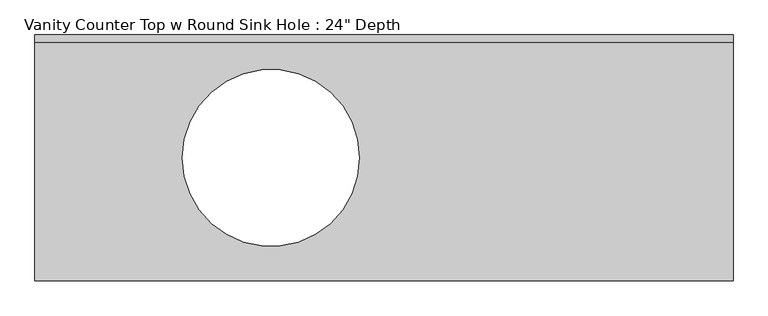
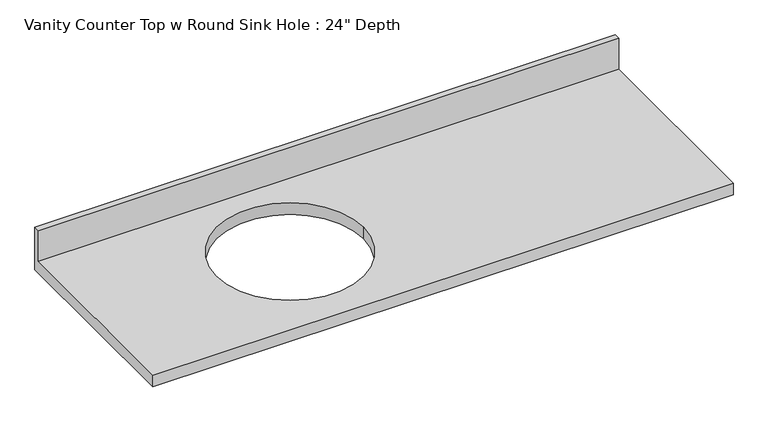
"""IFC4 building model written with IfcOpenShell, lengths in millimetres: furniture geometry."""

from ifc_helpers import new_model, si_unit, frame, origin, place, context, project, spatial, polyline, circle_curve, source, transform, mapped, element, save
from ifc_brep_helpers import plane_surface, revolved_surface, advanced_brep


def furniture_4d60fbe3(model_context):
    return source(origin(), model_context, "Body", "AdvancedBrep", [
        advanced_brep(
        [(-1327.4622951, -635.0, 787.4), (475.9377049, -635.0, 787.4), (475.9377049, -19.05, 787.4), (-1327.4622951, -19.05, 787.4), (-489.2622951, -317.5, 787.4), (-946.4622951, -317.5, 787.4), (475.9377049, 0.0, 749.3), (475.9377049, -635.0, 749.3), (-1327.4622951, -635.0, 749.3), (-1327.4622951, 0.0, 749.3), (-946.4622951, -317.5, 749.3), (-489.2622951, -317.5, 749.3), (-1327.4622951, 0.0, 889.0), (475.9377049, 0.0, 889.0), (-1327.4622951, -19.05, 889.0), (475.9377049, -19.05, 889.0)],
        [
            (0, 1),
            (1, 2),
            (2, 3),
            (3, 0),
            (4, 5, circle_curve(frame((-717.8622951, -317.5, 787.4), z_axis=(0.0, 0.0, -1.0), x_axis=(1.0, 0.0, 0.0)), 228.6)),
            (5, 4, circle_curve(frame((-717.8622951, -317.5, 787.4), z_axis=(0.0, 0.0, -1.0), x_axis=(1.0, 0.0, 0.0)), 228.6)),
            (6, 7),
            (7, 8),
            (8, 9),
            (9, 6),
            (10, 11, circle_curve(frame((-717.8622951, -317.5, 749.3), z_axis=(0.0, 0.0, 1.0), x_axis=(1.0, 0.0, 0.0)), 228.6)),
            (11, 10, circle_curve(frame((-717.8622951, -317.5, 749.3), z_axis=(0.0, 0.0, 1.0), x_axis=(1.0, 0.0, 0.0)), 228.6)),
            (9, 12),
            (12, 13),
            (13, 6),
            (8, 0),
            (3, 14),
            (14, 12),
            (7, 1),
            (13, 15),
            (15, 2),
            (14, 15),
            (4, 11),
            (10, 5),
        ],
        [
            plane_surface(frame((-1327.4622951, 0.0, 787.4), z_axis=(0.0, 0.0, 1.0), x_axis=(-1.0, 0.0, 0.0))),
            plane_surface(frame((-1327.4622951, 0.0, 749.3), z_axis=(0.0, 0.0, -1.0), x_axis=(1.0, 0.0, 0.0))),
            plane_surface(frame((475.9377049, 0.0, 787.4), z_axis=(0.0, 1.0, 0.0), x_axis=(0.0, 0.0, -1.0))),
            plane_surface(frame((-1327.4622951, 0.0, 787.4), z_axis=(-1.0, 0.0, 0.0), x_axis=(0.0, 0.0, -1.0))),
            plane_surface(frame((-1327.4622951, -635.0, 787.4), z_axis=(0.0, -1.0, 0.0), x_axis=(0.0, 0.0, -1.0))),
            plane_surface(frame((475.9377049, -635.0, 787.4), z_axis=(1.0, 0.0, 0.0), x_axis=(0.0, 0.0, -1.0))),
            plane_surface(frame((-1327.4622951, 0.0, 889.0), z_axis=(0.0, 0.0, 1.0), x_axis=(0.0, -1.0, 0.0))),
            plane_surface(frame((-1327.4622951, -19.05, 889.0), z_axis=(0.0, -1.0, 0.0), x_axis=(0.0, 0.0, -1.0))),
            revolved_surface(polyline([(-489.26229509999996, -317.5, 787.4), (-489.26229509999996, -317.5, 749.3)]), (-717.8622951, -317.5, 749.3), (0.0, 0.0, 1.0)),
        ],
        [
            (0, [[1, 2, 3, 4], [5, 6]]),
            (1, [[7, 8, 9, 10], [11, 12]]),
            (2, [[-10, 13, 14, 15]]),
            (3, [[-9, 16, -4, 17, 18, -13]]),
            (4, [[-1, -16, -8, 19]]),
            (5, [[-7, -15, 20, 21, -2, -19]]),
            (6, [[-18, 22, -20, -14]]),
            (7, [[-22, -17, -3, -21]]),
            (8, [[23, -11, 24, -5]]),
            (8, [[-23, -6, -24, -12]]),
        ],
    ),
    ])


if __name__ == "__main__":
    model = new_model("IFC4")
    model_context = context("Model", 3, world=origin())
    ifc_project = project(units=[si_unit("LENGTHUNIT", "METRE", prefix="MILLI")], contexts=[model_context])
    site = spatial("IfcSite", under=ifc_project)
    building = spatial("IfcBuilding", under=site)
    placement = place(None, origin())
    furniture_shape = furniture_4d60fbe3(model_context)
    element("IfcFurniture", 1, ObjectType="Vanity Counter Top w Round Sink Hole : 24\" Depth", at=placement, inside=building, context=model_context, shape_type="MappedRepresentation", body=[
        mapped(furniture_shape, transform((0.0, 0.0, 0.0), x_axis=(1.0, 0.0, 0.0), y_axis=(0.0, 1.0, 0.0), z_axis=(0.0, 0.0, 1.0))),
    ])
    save(model, "model.ifc")
